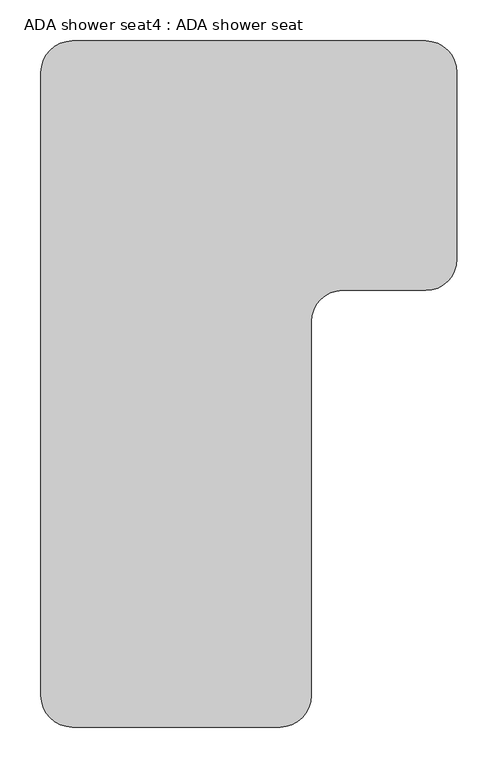
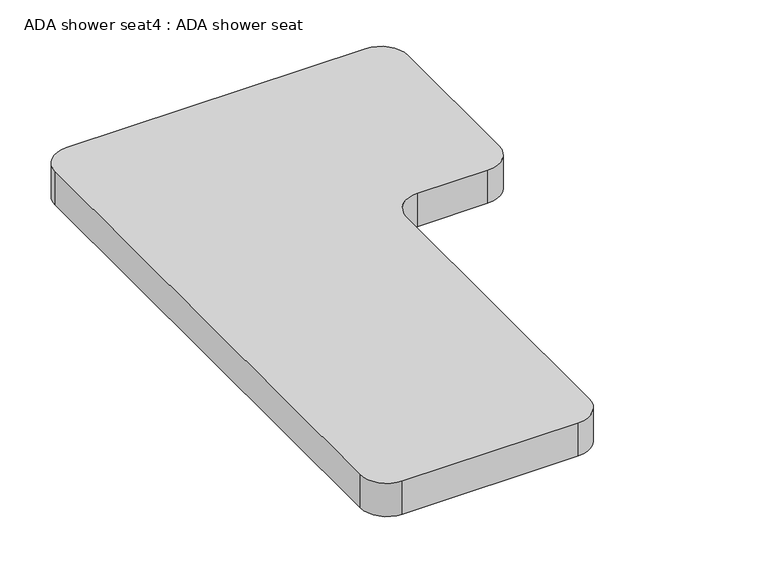
"""IFC4 building model written with IfcOpenShell, lengths in millimetres: proxy geometry, ADA shower seat4 : ADA shower seat."""

from ifc_helpers import new_model, si_unit, point, frame, frame_2d, origin, place, context, project, spatial, polyline, circle_curve, trimmed, segment, composite_curve, outline, extrude, source, transform, mapped, element, save


def ada_shower_seat4_ada_shower_seat_d76e1e5c(model_context):
    return source(origin(), model_context, "Body", "SweptSolid", [
        extrude(outline(composite_curve([segment(trimmed(circle_curve(frame_2d((-4674.631411, -25457.15)), 38.1), [point((-4674.631411, -25419.05))], [point((-4636.531411, -25457.15))], False, "CARTESIAN"), True, "CONTINUOUS"), segment(polyline([(-4636.531411, -25457.15), (-4636.531411, -25685.75)]), True, "CONTINUOUS"), segment(trimmed(circle_curve(frame_2d((-4674.631411, -25685.75)), 38.1), [point((-4636.531411, -25685.75))], [point((-4674.631411, -25723.85))], False, "CARTESIAN"), True, "CONTINUOUS"), segment(polyline([(-4674.631411, -25723.85), (-4776.231411, -25723.85)]), True, "CONTINUOUS"), segment(trimmed(circle_curve(frame_2d((-4776.231411, -25761.95)), 38.1), [point((-4776.231411, -25723.85))], [point((-4814.331411, -25761.95))], True, "CARTESIAN"), True, "CONTINUOUS"), segment(polyline([(-4814.331411, -25761.95), (-4814.331411, -26219.15)]), True, "CONTINUOUS"), segment(trimmed(circle_curve(frame_2d((-4852.431411, -26219.15)), 38.1), [point((-4814.331411, -26219.15))], [point((-4852.431411, -26257.25))], False, "CARTESIAN"), True, "CONTINUOUS"), segment(polyline([(-4852.431411, -26257.25), (-5106.431411, -26257.25)]), True, "CONTINUOUS"), segment(trimmed(circle_curve(frame_2d((-5106.431411, -26219.15)), 38.1), [point((-5106.431411, -26257.25))], [point((-5144.531411, -26219.15))], False, "CARTESIAN"), True, "CONTINUOUS"), segment(polyline([(-5144.531411, -26219.15), (-5144.531411, -25457.15)]), True, "CONTINUOUS"), segment(trimmed(circle_curve(frame_2d((-5106.431411, -25457.15)), 38.1), [point((-5144.531411, -25457.15))], [point((-5106.431411, -25419.05))], False, "CARTESIAN"), True, "CONTINUOUS"), segment(polyline([(-5106.431411, -25419.05), (-4674.631411, -25419.05)]), True, "CONTINUOUS")], self_intersect=False)), frame((0.0, 0.0, 406.4), z_axis=(0.0, 0.0, 1.0), x_axis=(1.0, 0.0, 0.0)), (0.0, 0.0, 1.0), 50.8),
    ])


if __name__ == "__main__":
    model = new_model("IFC4")
    model_context = context("Model", 3, world=origin())
    ifc_project = project(units=[si_unit("LENGTHUNIT", "METRE", prefix="MILLI")], contexts=[model_context])
    site = spatial("IfcSite", under=ifc_project)
    building = spatial("IfcBuilding", under=site)
    placement = place(None, origin())
    ada_shower_seat4_ada_shower_seat_shape = ada_shower_seat4_ada_shower_seat_d76e1e5c(model_context)
    element("IfcBuildingElementProxy", 1, Name="ADA shower seat4 : ADA shower seat", ObjectType="ADA shower seat4 : ADA shower seat", at=placement, inside=building, context=model_context, shape_type="MappedRepresentation", body=[
        mapped(ada_shower_seat4_ada_shower_seat_shape, transform((0.0, 0.0, 0.0), x_axis=(1.0, 0.0, 0.0), y_axis=(0.0, 1.0, 0.0), z_axis=(0.0, 0.0, 1.0))),
    ])
    save(model, "model.ifc")
